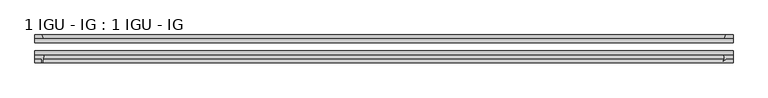
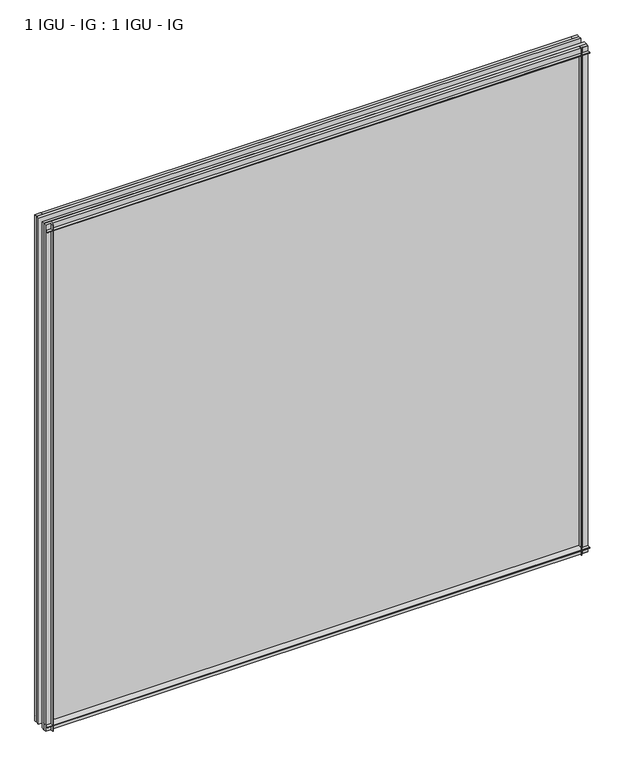
"""IFC4 building model written with IfcOpenShell, lengths in millimetres: plate geometry, 1 IGU - IG : 1 IGU - IG."""

from ifc_helpers import new_model, si_unit, point, frame, frame_2d, origin, place, context, project, spatial, polyline, circle_curve, trimmed, segment, composite_curve, outline, extrude, source, transform, mapped, element, save


def plate_1_igu_ig_1_igu_ig_472277ea(model_context):
    return source(origin(), model_context, "Body", "SweptSolid", [
        extrude(outline(polyline([(577.8980842, -31.75), (577.8980842, -38.1), (-539.7980842, -38.1), (-539.7980842, -31.75), (577.8980842, -31.75)])), frame((0.0, 0.0, -11.1125), z_axis=(0.0, 0.0, 1.0), x_axis=(1.0, 0.0, 0.0)), (0.0, 0.0, 1.0), 1101.7245636),
        extrude(outline(polyline([(-539.7980842, -12.7), (577.8980842, -12.7), (577.8980842, -19.05), (-539.7980842, -19.05), (-539.7980842, -12.7)])), frame((0.0, 0.0, -11.1125), z_axis=(0.0, 0.0, 1.0), x_axis=(1.0, 0.0, 0.0)), (0.0, 0.0, 1.0), 1101.7245636),
        extrude(outline(polyline([(563.8391443, -12.7), (565.9444214, -6.35), (577.8980842, -6.35), (577.8980842, -12.7), (563.8391443, -12.7)])), frame((0.0, 0.0, -11.1125), z_axis=(0.0, 0.0, 1.0), x_axis=(1.0, 0.0, 0.0)), (0.0, 0.0, 1.0), 1101.7245636),
        extrude(outline(composite_curve([segment(trimmed(circle_curve(frame_2d((555.0469853, -42.5735189)), 8.7187667), [point((562.0468913, -47.7714232))], [point((562.5306022, -38.1))], True, "CARTESIAN"), True, "CONTINUOUS"), segment(polyline([(562.5306022, -38.1), (577.8980842, -38.1), (577.8980842, -44.45), (566.7855842, -44.45), (562.3248748, -48.9107094)]), True, "CONTINUOUS"), segment(trimmed(circle_curve(frame_2d((562.6586669, -48.225708)), 0.762), [point((562.3248748, -48.9107094))], [point((562.0468913, -47.7714232))], False, "CARTESIAN"), True, "CONTINUOUS")], self_intersect=False)), frame((0.0, 0.0, -11.1125), z_axis=(0.0, 0.0, 1.0), x_axis=(1.0, 0.0, 0.0)), (0.0, 0.0, 1.0), 1101.7245636),
        extrude(outline(composite_curve([segment(polyline([(-539.7980842, -38.1), (-524.504405, -38.1)]), True, "CONTINUOUS"), segment(trimmed(circle_curve(frame_2d((-481.2453887, -53.3794536)), 45.8781451), [point((-524.504405, -38.1))], [point((-527.0056415, -50.0925922))], True, "CARTESIAN"), True, "CONTINUOUS"), segment(trimmed(circle_curve(frame_2d((-527.7656834, -50.038)), 0.762), [point((-527.0056415, -50.0925922))], [point((-527.7656834, -50.8))], False, "CARTESIAN"), True, "CONTINUOUS"), segment(polyline([(-527.7656834, -50.8), (-528.6855842, -50.8), (-528.6855842, -44.45), (-539.7980842, -44.45), (-539.7980842, -38.1)]), True, "CONTINUOUS")], self_intersect=False)), frame((0.0, 0.0, -11.1125), z_axis=(0.0, 0.0, 1.0), x_axis=(1.0, 0.0, 0.0)), (0.0, 0.0, 1.0), 1101.7245636),
        extrude(outline(polyline([(-526.5803072, -12.7), (-539.7980842, -12.7), (-539.7980842, -6.35), (-528.6855842, -6.35), (-526.5803072, -12.7)])), frame((0.0, 0.0, -11.1125), z_axis=(0.0, 0.0, 1.0), x_axis=(1.0, 0.0, 0.0)), (0.0, 0.0, 1.0), 1101.7245636),
        extrude(outline(polyline([(-12.7, -11.1125), (-12.7, 2.1052771), (-6.35, 0.0), (-6.35, -11.1125), (-12.7, -11.1125)])), frame((-539.7980842, 0.0, 0.0), z_axis=(1.0, 0.0, 0.0), x_axis=(0.0, 1.0, 0.0)), (0.0, 0.0, 1.0), 1117.6961685),
        extrude(outline(composite_curve([segment(polyline([(-38.1, 4.1811793), (-38.1, -11.1125), (-44.45, -11.1125), (-44.45, 0.0), (-50.8, 0.0), (-50.8, 0.9199009)]), True, "CONTINUOUS"), segment(trimmed(circle_curve(frame_2d((-50.038, 0.9199009)), 0.762), [point((-50.8, 0.9199009))], [point((-50.0925922, 1.6799428))], False, "CARTESIAN"), True, "CONTINUOUS"), segment(trimmed(circle_curve(frame_2d((-53.3794536, 47.4401956)), 45.8781451), [point((-50.0925922, 1.6799428))], [point((-38.1, 4.1811793))], True, "CARTESIAN"), True, "CONTINUOUS")], self_intersect=False)), frame((-539.7980842, 0.0, 0.0), z_axis=(1.0, 0.0, 0.0), x_axis=(0.0, 1.0, 0.0)), (0.0, 0.0, 1.0), 1117.6961685),
        extrude(outline(polyline([(-6.35, 1079.4995636), (-12.7, 1077.3942865), (-12.7, 1090.6120636), (-6.35, 1090.6120636), (-6.35, 1079.4995636)])), frame((-539.7980842, 0.0, 0.0), z_axis=(1.0, 0.0, 0.0), x_axis=(0.0, 1.0, 0.0)), (0.0, 0.0, 1.0), 1117.6961685),
        extrude(outline(composite_curve([segment(polyline([(-38.1, 1090.6120636), (-38.1, 1075.3183843)]), True, "CONTINUOUS"), segment(trimmed(circle_curve(frame_2d((-53.3794536, 1032.059368)), 45.8781451), [point((-38.1, 1075.3183843))], [point((-50.0925922, 1077.8196208))], True, "CARTESIAN"), True, "CONTINUOUS"), segment(trimmed(circle_curve(frame_2d((-50.038, 1078.5796627)), 0.762), [point((-50.0925922, 1077.8196208))], [point((-50.8, 1078.5796627))], False, "CARTESIAN"), True, "CONTINUOUS"), segment(polyline([(-50.8, 1078.5796627), (-50.8, 1079.4995636), (-44.45, 1079.4995636), (-44.45, 1090.6120636), (-38.1, 1090.6120636)]), True, "CONTINUOUS")], self_intersect=False)), frame((-539.7980842, 0.0, 0.0), z_axis=(1.0, 0.0, 0.0), x_axis=(0.0, 1.0, 0.0)), (0.0, 0.0, 1.0), 1117.6961685),
    ])


if __name__ == "__main__":
    model = new_model("IFC4")
    model_context = context("Model", 3, world=origin())
    ifc_project = project(units=[si_unit("LENGTHUNIT", "METRE", prefix="MILLI")], contexts=[model_context])
    site = spatial("IfcSite", under=ifc_project)
    building = spatial("IfcBuilding", under=site)
    placement = place(None, origin())
    plate_1_igu_ig_1_igu_ig_shape = plate_1_igu_ig_1_igu_ig_472277ea(model_context)
    element("IfcPlate", 1, ObjectType="1 IGU - IG : 1 IGU - IG", at=placement, inside=building, context=model_context, shape_type="MappedRepresentation", body=[
        mapped(plate_1_igu_ig_1_igu_ig_shape, transform((0.0, 0.0, 0.0), x_axis=(1.0, 0.0, 0.0), y_axis=(0.0, 1.0, 0.0), z_axis=(0.0, 0.0, 1.0))),
    ])
    save(model, "model.ifc")
